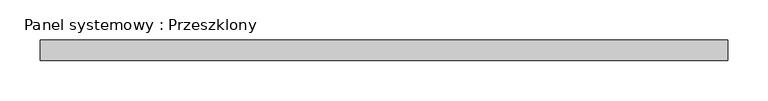
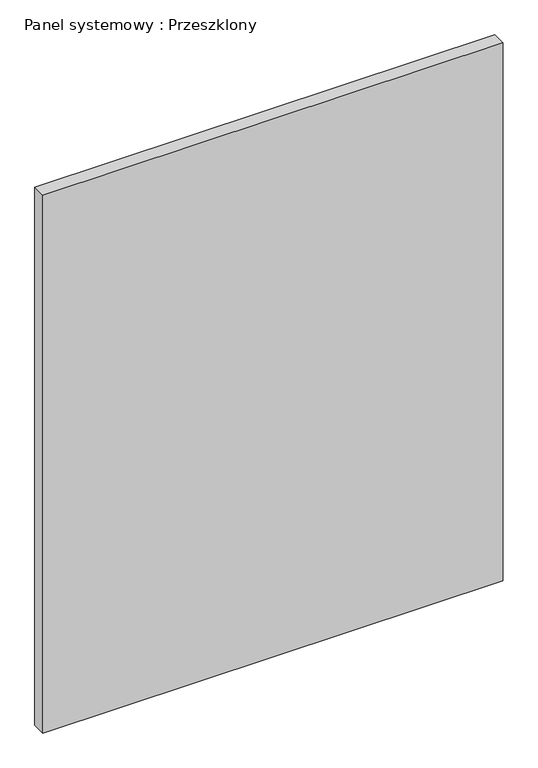
"""IFC4 building model written with IfcOpenShell, lengths in millimetres: plate geometry, Panel systemowy : Przeszklony."""

from ifc_helpers import new_model, si_unit, origin, origin_with_axes, place, context, project, spatial, polyline, outline, extrude, source, transform, mapped, element, save


def panel_systemowy_przeszklony_c9400b3c(model_context):
    return source(origin(), model_context, "Body", "SweptSolid", [
        extrude(outline(polyline([(425.0, 24.5), (-425.0, 24.5), (-425.0, 49.5), (425.0, 49.5), (425.0, 24.5)])), origin_with_axes(), (0.0, 0.0, 1.0), 1050.0),
    ])


if __name__ == "__main__":
    model = new_model("IFC4")
    model_context = context("Model", 3, world=origin())
    ifc_project = project(units=[si_unit("LENGTHUNIT", "METRE", prefix="MILLI")], contexts=[model_context])
    site = spatial("IfcSite", under=ifc_project)
    building = spatial("IfcBuilding", under=site)
    placement = place(None, origin())
    panel_systemowy_przeszklony_shape = panel_systemowy_przeszklony_c9400b3c(model_context)
    element("IfcPlate", 1, ObjectType="Panel systemowy : Przeszklony", at=placement, inside=building, context=model_context, shape_type="MappedRepresentation", body=[
        mapped(panel_systemowy_przeszklony_shape, transform((0.0, 0.0, 0.0), x_axis=(1.0, 0.0, 0.0), y_axis=(0.0, 1.0, 0.0), z_axis=(0.0, 0.0, 1.0))),
    ])
    save(model, "model.ifc")
